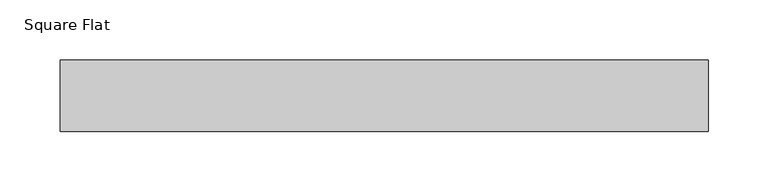
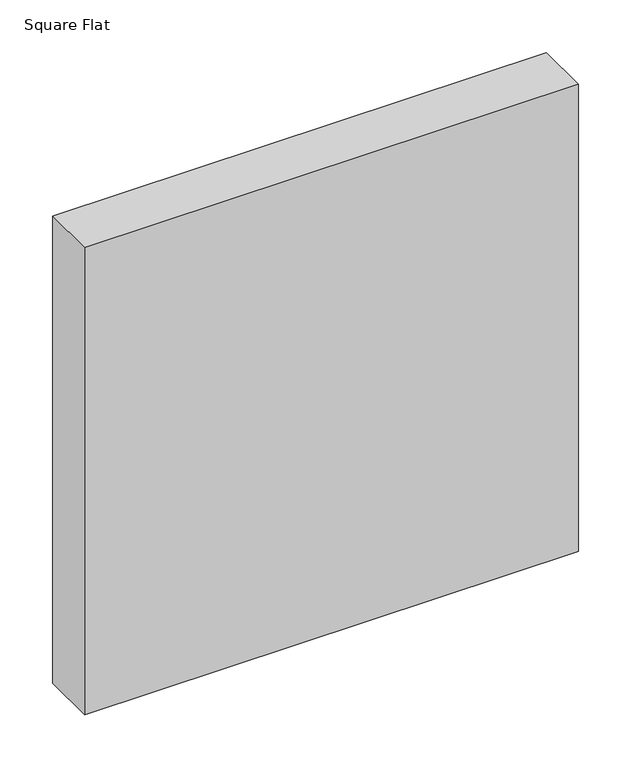
"""IFC4 building model written with IfcOpenShell, lengths in millimetres: furniture geometry, Square Flat."""

from ifc_helpers import new_model, si_unit, frame, origin, place, context, project, spatial, polyline, outline, extrude, source, transform, mapped, element, save


def square_flat_3ada6eba(model_context):
    return source(origin(), model_context, "Body", "SweptSolid", [
        extrude(outline(polyline([(270.0, 60.0), (270.0, 0.0), (-270.0, 0.0), (-270.0, 60.0), (270.0, 60.0)])), frame((0.0, 0.0, 1500.0), z_axis=(0.0, 0.0, 1.0), x_axis=(1.0, 0.0, 0.0)), (0.0, 0.0, 1.0), 540.0),
    ])


if __name__ == "__main__":
    model = new_model("IFC4")
    model_context = context("Model", 3, world=origin())
    ifc_project = project(units=[si_unit("LENGTHUNIT", "METRE", prefix="MILLI")], contexts=[model_context])
    site = spatial("IfcSite", under=ifc_project)
    building = spatial("IfcBuilding", under=site)
    placement = place(None, origin())
    square_flat_shape = square_flat_3ada6eba(model_context)
    element("IfcFurniture", 1, ObjectType="Square Flat", at=placement, inside=building, context=model_context, shape_type="MappedRepresentation", body=[
        mapped(square_flat_shape, transform((0.0, 0.0, 0.0), x_axis=(1.0, 0.0, 0.0), y_axis=(0.0, 1.0, 0.0), z_axis=(0.0, 0.0, 1.0))),
    ])
    save(model, "model.ifc")
